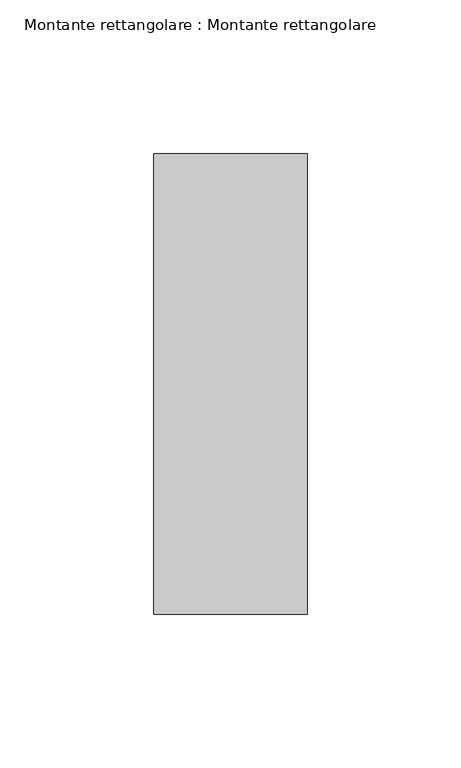
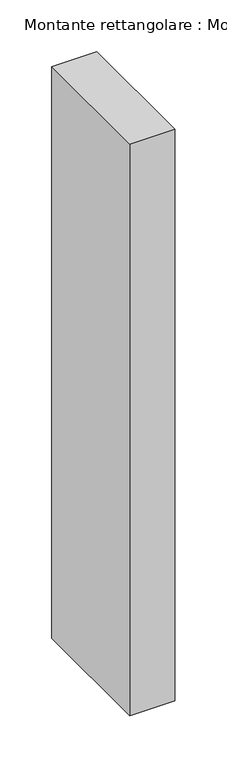
"""IFC4 building model written with IfcOpenShell, lengths in millimetres: member geometry, Montante rettangolare : Montante rettangolare."""

from ifc_helpers import new_model, si_unit, frame, origin, place, context, project, spatial, polyline, outline, extrude, source, transform, mapped, element, save


def montante_rettangolare_montante_rettangolare_9dd7aef5(model_context):
    return source(origin(), model_context, "Body", "SweptSolid", [
        extrude(outline(polyline([(0.0, 75.0), (0.0, -75.0), (-50.0, -75.0), (-50.0, 75.0), (0.0, 75.0)])), frame((0.0, 0.0, -672.0), z_axis=(0.0, 0.0, 1.0), x_axis=(1.0, 0.0, 0.0)), (0.0, 0.0, 1.0), 672.0),
    ])


if __name__ == "__main__":
    model = new_model("IFC4")
    model_context = context("Model", 3, world=origin())
    ifc_project = project(units=[si_unit("LENGTHUNIT", "METRE", prefix="MILLI")], contexts=[model_context])
    site = spatial("IfcSite", under=ifc_project)
    building = spatial("IfcBuilding", under=site)
    placement = place(None, origin())
    montante_rettangolare_montante_rettangolare_shape = montante_rettangolare_montante_rettangolare_9dd7aef5(model_context)
    element("IfcMember", 1, ObjectType="Montante rettangolare : Montante rettangolare", at=placement, inside=building, context=model_context, shape_type="MappedRepresentation", body=[
        mapped(montante_rettangolare_montante_rettangolare_shape, transform((0.0, 0.0, 0.0), x_axis=(1.0, 0.0, 0.0), y_axis=(0.0, 1.0, 0.0), z_axis=(0.0, 0.0, 1.0))),
    ])
    save(model, "model.ifc")
